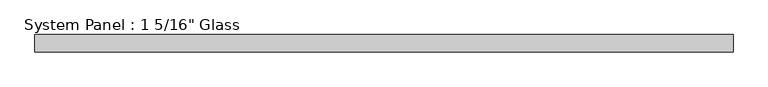
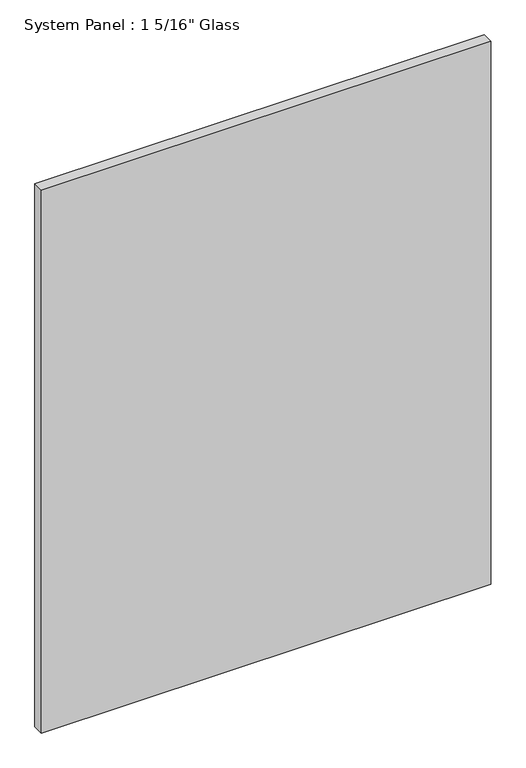
"""IFC4 building model written with IfcOpenShell, lengths in millimetres: plate geometry."""

from ifc_helpers import new_model, si_unit, origin, origin_with_axes, place, context, project, spatial, polyline, outline, extrude, source, transform, mapped, element, save


def plate_3acf9453(model_context):
    return source(origin(), model_context, "Body", "SweptSolid", [
        extrude(outline(polyline([(666.5710913, -16.66875), (-666.5710913, -16.66875), (-666.5710913, 16.66875), (666.5710913, 16.66875), (666.5710913, -16.66875)])), origin_with_axes(), (0.0, 0.0, 1.0), 1701.8),
    ])


if __name__ == "__main__":
    model = new_model("IFC4")
    model_context = context("Model", 3, world=origin())
    ifc_project = project(units=[si_unit("LENGTHUNIT", "METRE", prefix="MILLI")], contexts=[model_context])
    site = spatial("IfcSite", under=ifc_project)
    building = spatial("IfcBuilding", under=site)
    placement = place(None, origin())
    plate_shape = plate_3acf9453(model_context)
    element("IfcPlate", 1, ObjectType="System Panel : 1 5/16\" Glass", at=placement, inside=building, context=model_context, shape_type="MappedRepresentation", body=[
        mapped(plate_shape, transform((0.0, 0.0, 0.0), x_axis=(1.0, 0.0, 0.0), y_axis=(0.0, 1.0, 0.0), z_axis=(0.0, 0.0, 1.0))),
    ])
    save(model, "model.ifc")
